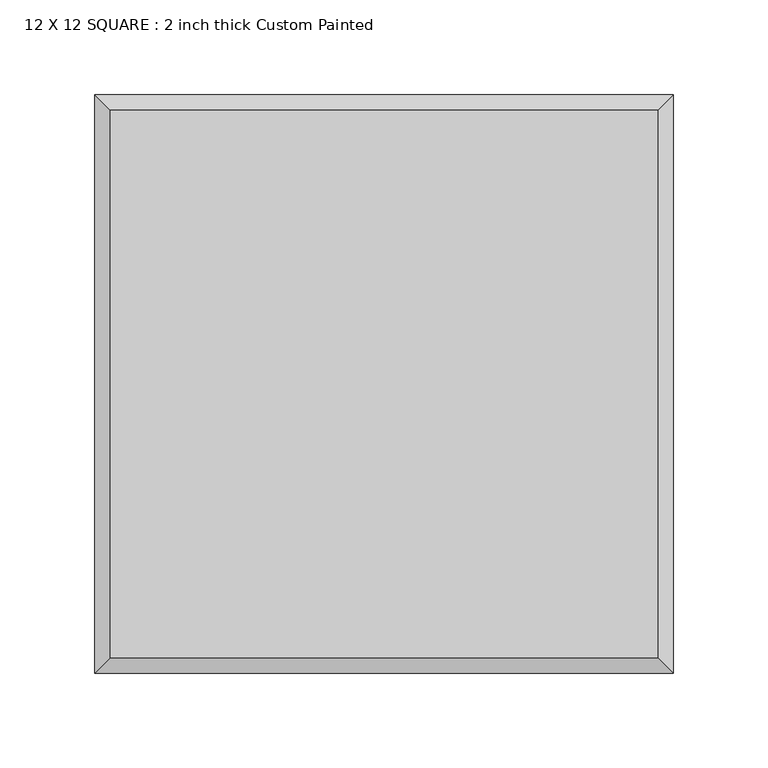
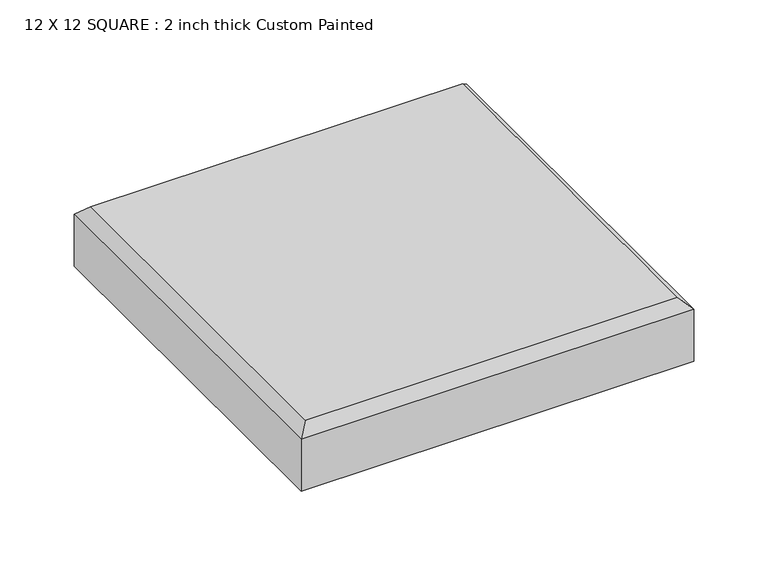
"""IFC4 building model written with IfcOpenShell, lengths in millimetres: proxy geometry, 12 X 12 SQUARE : 2 inch thick Custom Painted."""

from ifc_helpers import new_model, si_unit, origin, place, context, project, spatial, faceted_brep, source, transform, mapped, element, save


def proxy_12_x_12_square_2_inch_thick_custom_painted_3e557545(model_context):
    return source(origin(), model_context, "Body", "Brep", [
        faceted_brep([(144.399, 144.399, 50.8), (-144.399, 144.399, 50.8), (-144.399, -144.399, 50.8), (144.399, -144.399, 50.8), (-152.4, 152.4, 0.0), (152.4, 152.4, 0.0), (152.4, -152.4, 0.0), (-152.4, -152.4, 0.0), (-152.4, -152.4, 42.799), (-152.4, 152.4, 42.799), (152.4, -152.4, 42.799), (152.4, 152.4, 42.799)], [[[0, 1, 2, 3]], [[4, 5, 6, 7]], [[4, 7, 8, 9]], [[7, 6, 10, 8]], [[6, 5, 11, 10]], [[5, 4, 9, 11]], [[9, 1, 0, 11]], [[1, 9, 8, 2]], [[2, 8, 10, 3]], [[11, 0, 3, 10]]]),
    ])


if __name__ == "__main__":
    model = new_model("IFC4")
    model_context = context("Model", 3, world=origin())
    ifc_project = project(units=[si_unit("LENGTHUNIT", "METRE", prefix="MILLI")], contexts=[model_context])
    site = spatial("IfcSite", under=ifc_project)
    building = spatial("IfcBuilding", under=site)
    placement = place(None, origin())
    proxy_12_x_12_square_2_inch_thick_custom_painted_shape = proxy_12_x_12_square_2_inch_thick_custom_painted_3e557545(model_context)
    element("IfcBuildingElementProxy", 1, Name="12 X 12 SQUARE : 2 inch thick Custom Painted", ObjectType="12 X 12 SQUARE : 2 inch thick Custom Painted", at=placement, inside=building, context=model_context, shape_type="MappedRepresentation", body=[
        mapped(proxy_12_x_12_square_2_inch_thick_custom_painted_shape, transform((0.0, 0.0, 0.0), x_axis=(1.0, 0.0, 0.0), y_axis=(0.0, 1.0, 0.0), z_axis=(0.0, 0.0, 1.0))),
    ])
    save(model, "model.ifc")
